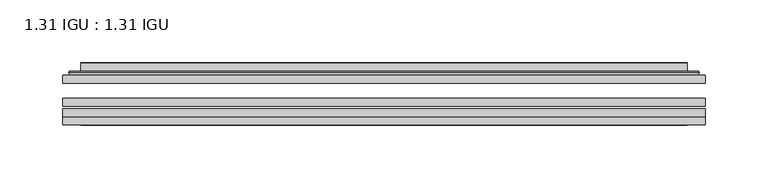
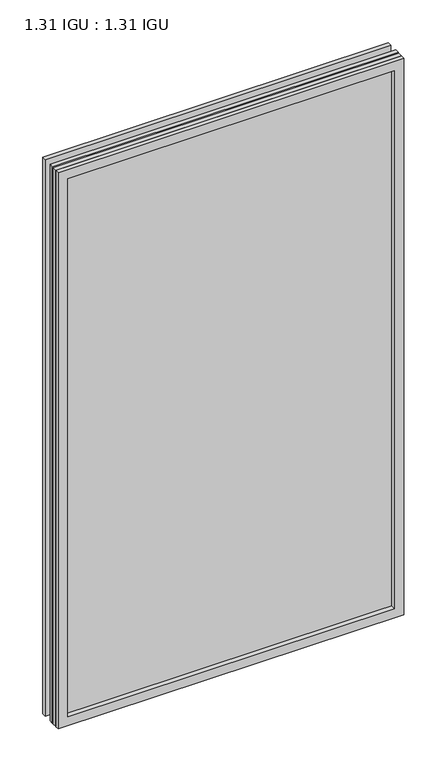
"""IFC4 building model written with IfcOpenShell, lengths in millimetres: plate geometry, 1.31 IGU : 1.31 IGU."""

from ifc_helpers import new_model, si_unit, frame, origin, place, context, project, spatial, polyline, ellipse_curve, outline, extrude, faceted_brep, source, transform, mapped, element, save
from ifc_brep_helpers import plane_surface, cylinder_surface, advanced_brep


def plate_1_31_igu_1_31_igu_59f5572e(model_context):
    return source(origin(), model_context, "Body", "SolidModel", [
        extrude(outline(polyline([(255.601675, -63.2975937), (255.601675, -69.6475938), (-255.5875, -69.6475938), (-255.5875, -63.2975937), (255.601675, -63.2975937)])), frame((0.0, 0.0, -14.2875), z_axis=(0.0, 0.0, 1.0), x_axis=(1.0, 0.0, 0.0)), (0.0, 0.0, 1.0), 869.9537979),
        extrude(outline(polyline([(-255.5875, -78.2835938), (-255.5875, -71.9330887), (255.601675, -71.9330887), (255.601675, -78.2835938), (-255.5875, -78.2835938)])), frame((0.0, 0.0, -14.2875), z_axis=(0.0, 0.0, 1.0), x_axis=(1.0, 0.0, 0.0)), (0.0, 0.0, 1.0), 869.9537979),
        extrude(outline(polyline([(255.601675, -44.9587937), (255.601675, -51.3087938), (-255.5875, -51.3087938), (-255.5875, -44.9587937), (255.601675, -44.9587937)])), frame((0.0, 0.0, -14.2875), z_axis=(0.0, 0.0, 1.0), x_axis=(1.0, 0.0, 0.0)), (0.0, 0.0, 1.0), 869.9537979),
        faceted_brep([(-255.6002, -84.6335937, 855.6752), (-255.6002, -78.2835937, 855.6752), (-255.6002, -78.2835937, -14.3002), (-255.6002, -84.6335937, -14.3002), (255.6002, -78.2835937, -14.3002), (255.6002, -84.6335937, -14.3002), (255.6002, -78.2835937, 855.6752), (255.6002, -84.6335937, 855.6752), (-240.4022559, -78.2835937, 0.8977441), (240.4022559, -78.2835937, 0.8977441), (240.4022559, -78.2835937, 840.4772559), (-240.4022559, -78.2835937, 840.4772559), (-241.2946902, -84.6335937, 841.3696902), (241.2946902, -84.6335937, 841.3696902), (241.2946902, -84.6335937, 0.0053098), (-241.2946902, -84.6335937, 0.0053098)], [[[0, 1, 2, 3]], [[3, 2, 4, 5]], [[5, 4, 6, 7]], [[1, 6, 4, 2], [8, 9, 10, 11]], [[7, 6, 1, 0]], [[3, 5, 7, 0], [12, 13, 14, 15]], [[11, 12, 15, 8]], [[8, 15, 14, 9]], [[9, 14, 13, 10]], [[10, 13, 12, 11]]]),
        advanced_brep(
        [(-248.346219, -44.9587937, 848.421219), (-250.7004244, -42.9691271, 850.7754244), (-250.7004244, -42.9691271, -9.4004244), (-248.346219, -44.9587937, -7.046219), (-239.2718939, -41.1187568, 839.3468939), (-234.3370621, -44.9587937, 834.4120621), (-234.3370621, -44.9587937, 6.9629379), (-239.2718939, -41.1187568, 2.0281061), (-240.3039217, -35.7215256, 840.3789217), (-240.3039217, -35.7215256, 0.9960783), (-241.2945784, -35.3225507, 841.3695784), (-241.2945784, -35.3225507, 0.0054216), (-241.2945784, -41.7837937, 841.3695784), (-241.2945784, -41.7837937, 0.0054216), (-249.6986349, -41.7837937, 849.7736349), (-249.6986349, -41.7837937, -8.3986349), (250.7004244, -42.9691271, -9.4004244), (248.346219, -44.9587937, -7.046219), (234.3370621, -44.9587937, 6.9629379), (239.2718939, -41.1187568, 2.0281061), (240.3039217, -35.7215256, 0.9960783), (241.2945784, -35.3225507, 0.0054216), (241.2945784, -41.7837937, 0.0054216), (249.6986349, -41.7837937, -8.3986349), (250.7004244, -42.9691271, 850.7754244), (248.346219, -44.9587937, 848.421219), (234.3370621, -44.9587937, 834.4120621), (239.2718939, -41.1187568, 839.3468939), (240.3039217, -35.7215256, 840.3789217), (241.2945784, -35.3225507, 841.3695784), (241.2945784, -41.7837937, 841.3695784), (249.6986349, -41.7837937, 849.7736349)],
        [
            (0, 1, ellipse_curve(frame((-248.346219, -42.5711937, 848.421219), z_axis=(-0.7071067811865475, 0.0, -0.7071067811865475), x_axis=(-0.7071067811865474, 0.0, 0.7071067811865476)), 3.3765763, 2.3876)),
            (1, 2),
            (2, 3, ellipse_curve(frame((-248.346219, -42.5711937, -7.046219), z_axis=(-0.7071067811865475, 0.0, 0.7071067811865475), x_axis=(0.7071067811865474, 0.0, 0.7071067811865476)), 3.3765763, 2.3876)),
            (3, 0),
            (4, 5),
            (5, 6),
            (6, 7),
            (7, 4),
            (8, 4),
            (7, 9),
            (9, 8),
            (10, 8, ellipse_curve(frame((-240.9276219, -35.840786, 841.0026219), z_axis=(-0.7071067811865475, 0.0, -0.7071067811865475), x_axis=(-0.7071067811865474, 0.0, 0.7071067811865476)), 0.8980256, 0.635)),
            (9, 11, ellipse_curve(frame((-240.9276219, -35.840786, 0.3723781), z_axis=(-0.7071067811865475, 0.0, 0.7071067811865475), x_axis=(0.7071067811865474, 0.0, 0.7071067811865476)), 0.8980256, 0.635)),
            (11, 10),
            (12, 10),
            (11, 13),
            (13, 12),
            (1, 14, ellipse_curve(frame((-249.6986349, -42.7997937, 849.7736349), z_axis=(-0.7071067811865475, 0.0, -0.7071067811865475), x_axis=(-0.7071067811865474, 0.0, 0.7071067811865476)), 1.436841, 1.016)),
            (14, 15),
            (15, 2, ellipse_curve(frame((-249.6986349, -42.7997937, -8.3986349), z_axis=(-0.7071067811865475, 0.0, 0.7071067811865475), x_axis=(0.7071067811865474, 0.0, 0.7071067811865476)), 1.436841, 1.016)),
            (2, 16),
            (16, 17, ellipse_curve(frame((248.346219, -42.5711937, -7.046219), z_axis=(-0.7071067811865475, 0.0, -0.7071067811865475), x_axis=(-0.7071067811865476, 0.0, 0.7071067811865474)), 3.3765763, 2.3876)),
            (17, 3),
            (6, 18),
            (18, 19),
            (19, 7),
            (19, 20),
            (20, 9),
            (20, 21, ellipse_curve(frame((240.9276219, -35.840786, 0.3723781), z_axis=(-0.7071067811865475, 0.0, -0.7071067811865475), x_axis=(-0.7071067811865476, 0.0, 0.7071067811865474)), 0.8980256, 0.635)),
            (21, 11),
            (21, 22),
            (22, 13),
            (15, 23),
            (23, 16, ellipse_curve(frame((249.6986349, -42.7997937, -8.3986349), z_axis=(-0.7071067811865475, 0.0, -0.7071067811865475), x_axis=(-0.7071067811865476, 0.0, 0.7071067811865474)), 1.436841, 1.016)),
            (16, 24),
            (24, 25, ellipse_curve(frame((248.346219, -42.5711937, 848.421219), z_axis=(0.7071067811865475, 0.0, -0.7071067811865475), x_axis=(-0.7071067811865474, 0.0, -0.7071067811865476)), 3.3765763, 2.3876)),
            (25, 17),
            (18, 26),
            (26, 27),
            (27, 19),
            (27, 28),
            (28, 20),
            (28, 29, ellipse_curve(frame((240.9276219, -35.840786, 841.0026219), z_axis=(0.7071067811865475, 0.0, -0.7071067811865475), x_axis=(-0.7071067811865474, 0.0, -0.7071067811865476)), 0.8980256, 0.635)),
            (29, 21),
            (29, 30),
            (30, 22),
            (23, 31),
            (31, 24, ellipse_curve(frame((249.6986349, -42.7997937, 849.7736349), z_axis=(0.7071067811865475, 0.0, -0.7071067811865475), x_axis=(-0.7071067811865474, 0.0, -0.7071067811865476)), 1.436841, 1.016)),
            (24, 1),
            (0, 25),
            (5, 26),
            (4, 27),
            (8, 28),
            (10, 29),
            (12, 30),
            (14, 31),
        ],
        [
            cylinder_surface(frame((-248.346219, -42.5711937, 873.125), z_axis=(0.0, 0.0, 1.0), x_axis=(-1.0, 0.0, 0.0)), 2.3876),
            plane_surface(frame((-234.3370621, -44.9587937, 834.4120621), z_axis=(0.6141233906514794, 0.7892100234124821, 0.0), x_axis=(0.0, 0.0, -1.0))),
            plane_surface(frame((-239.2718939, -41.1187568, 839.3468939), z_axis=(0.9822050625507729, 0.18781164793386076, 0.0), x_axis=(0.0, 0.0, -1.0))),
            cylinder_surface(frame((-240.9276219, -35.840786, 873.125), z_axis=(0.0, 0.0, 1.0), x_axis=(-1.0, 0.0, 0.0)), 0.635),
            plane_surface(frame((-241.2945784, -35.3225507, 841.3695784), z_axis=(-1.0, 0.0, 0.0), x_axis=(0.0, 0.0, -1.0))),
            cylinder_surface(frame((-249.6986349, -42.7997937, 873.125), z_axis=(0.0, 0.0, 1.0), x_axis=(-1.0, 0.0, 0.0)), 1.016),
            cylinder_surface(frame((-273.05, -42.5711937, -7.046219), z_axis=(-1.0, 0.0, 0.0), x_axis=(0.0, 0.0, -1.0)), 2.3876),
            plane_surface(frame((-234.3370621, -44.9587937, 6.9629379), z_axis=(0.0, 0.7892100234124841, 0.6141233906514768), x_axis=(1.0, 0.0, 0.0))),
            plane_surface(frame((-239.2718939, -41.1187568, 2.0281061), z_axis=(0.0, 0.18781164793386393, 0.9822050625507723), x_axis=(1.0, 0.0, 0.0))),
            cylinder_surface(frame((-273.05, -35.840786, 0.3723781), z_axis=(-1.0, 0.0, 0.0), x_axis=(0.0, 0.0, -1.0)), 0.635),
            plane_surface(frame((-241.2945784, -35.3225507, 0.0054216), z_axis=(0.0, 0.0, -1.0), x_axis=(1.0, 0.0, 0.0))),
            cylinder_surface(frame((-273.05, -42.7997937, -8.3986349), z_axis=(-1.0, 0.0, 0.0), x_axis=(0.0, 0.0, -1.0)), 1.016),
            cylinder_surface(frame((248.346219, -42.5711937, -31.75), z_axis=(0.0, 0.0, -1.0), x_axis=(1.0, 0.0, 0.0)), 2.3876),
            plane_surface(frame((234.3370621, -44.9587937, 6.9629379), z_axis=(-0.6141233906514743, 0.7892100234124861, 0.0), x_axis=(0.0, 0.0, 1.0))),
            plane_surface(frame((239.2718939, -41.1187568, 2.0281061), z_axis=(-0.9822050625507718, 0.1878116479338671, 0.0), x_axis=(0.0, 0.0, 1.0))),
            cylinder_surface(frame((240.9276219, -35.840786, -31.75), z_axis=(0.0, 0.0, -1.0), x_axis=(1.0, 0.0, 0.0)), 0.635),
            plane_surface(frame((241.2945784, -35.3225507, 0.0054216), z_axis=(1.0, 0.0, 0.0), x_axis=(0.0, 0.0, 1.0))),
            cylinder_surface(frame((249.6986349, -42.7997937, -31.75), z_axis=(0.0, 0.0, -1.0), x_axis=(1.0, 0.0, 0.0)), 1.016),
            cylinder_surface(frame((273.05, -42.5711937, 848.421219), z_axis=(1.0, 0.0, 0.0), x_axis=(0.0, 0.0, 1.0)), 2.3876),
            plane_surface(frame((248.346219, -44.9587937, 848.421219), z_axis=(0.0, -1.0, 0.0), x_axis=(-1.0, 0.0, 0.0))),
            plane_surface(frame((234.3370621, -44.9587937, 834.4120621), z_axis=(0.0, 0.7892100234124841, -0.6141233906514768), x_axis=(-1.0, 0.0, 0.0))),
            plane_surface(frame((239.2718939, -41.1187568, 839.3468939), z_axis=(0.0, 0.18781164793386393, -0.9822050625507723), x_axis=(-1.0, 0.0, 0.0))),
            cylinder_surface(frame((273.05, -35.840786, 841.0026219), z_axis=(1.0, 0.0, 0.0), x_axis=(0.0, 0.0, 1.0)), 0.635),
            plane_surface(frame((241.2945784, -35.3225507, 841.3695784), z_axis=(0.0, 0.0, 1.0), x_axis=(-1.0, 0.0, 0.0))),
            plane_surface(frame((241.2945784, -41.7837937, 841.3695784), z_axis=(0.0, 1.0, 0.0), x_axis=(-1.0, 0.0, 0.0))),
            cylinder_surface(frame((273.05, -42.7997937, 849.7736349), z_axis=(1.0, 0.0, 0.0), x_axis=(0.0, 0.0, 1.0)), 1.016),
        ],
        [
            (0, [[1, 2, 3, 4]]),
            (1, [[5, 6, 7, 8]]),
            (2, [[9, -8, 10, 11]]),
            (3, [[12, -11, 13, 14]]),
            (4, [[15, -14, 16, 17]]),
            (5, [[18, 19, 20, -2]]),
            (6, [[-3, 21, 22, 23]]),
            (7, [[-7, 24, 25, 26]]),
            (8, [[-10, -26, 27, 28]]),
            (9, [[-13, -28, 29, 30]]),
            (10, [[-16, -30, 31, 32]]),
            (11, [[-20, 33, 34, -21]]),
            (12, [[-22, 35, 36, 37]]),
            (13, [[-25, 38, 39, 40]]),
            (14, [[-27, -40, 41, 42]]),
            (15, [[-29, -42, 43, 44]]),
            (16, [[-31, -44, 45, 46]]),
            (17, [[-34, 47, 48, -35]]),
            (18, [[-36, 49, -1, 50]]),
            (19, [[-23, -37, -50, -4], [51, -38, -24, -6]]),
            (20, [[-39, -51, -5, 52]]),
            (21, [[-41, -52, -9, 53]]),
            (22, [[-43, -53, -12, 54]]),
            (23, [[-45, -54, -15, 55]]),
            (24, [[56, -47, -33, -19], [-32, -46, -55, -17]]),
            (25, [[-48, -56, -18, -49]]),
        ],
    ),
    ])


if __name__ == "__main__":
    model = new_model("IFC4")
    model_context = context("Model", 3, world=origin())
    ifc_project = project(units=[si_unit("LENGTHUNIT", "METRE", prefix="MILLI")], contexts=[model_context])
    site = spatial("IfcSite", under=ifc_project)
    building = spatial("IfcBuilding", under=site)
    placement = place(None, origin())
    plate_1_31_igu_1_31_igu_shape = plate_1_31_igu_1_31_igu_59f5572e(model_context)
    element("IfcPlate", 1, ObjectType="1.31 IGU : 1.31 IGU", at=placement, inside=building, context=model_context, shape_type="MappedRepresentation", body=[
        mapped(plate_1_31_igu_1_31_igu_shape, transform((0.0, 0.0, 0.0), x_axis=(1.0, 0.0, 0.0), y_axis=(0.0, 1.0, 0.0), z_axis=(0.0, 0.0, 1.0))),
    ])
    save(model, "model.ifc")
